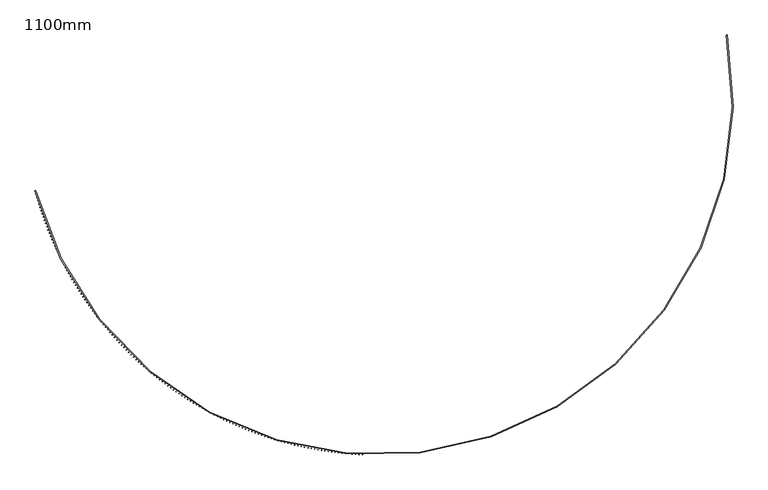
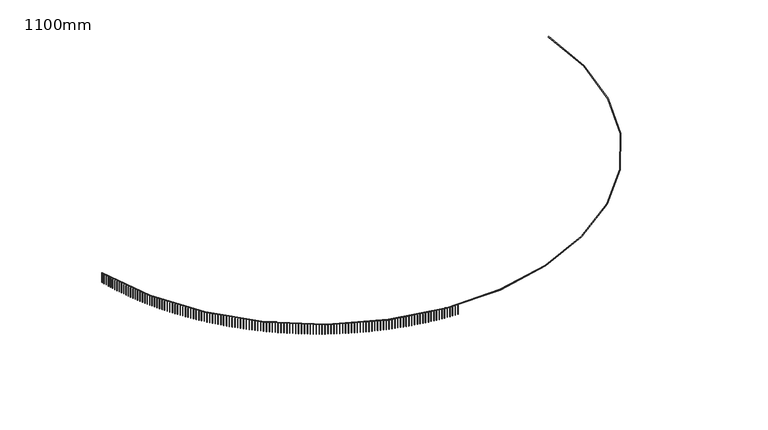
"""IFC4 building model written with IfcOpenShell, lengths in millimetres: railing geometry, 1100mm."""

from ifc_helpers import new_model, si_unit, point, frame, frame_2d, origin, place, context, project, spatial, polyline, circle_curve, trimmed, segment, composite_curve, outline, extrude, source, transform, mapped, element, save


def railing_1100mm_cee62b35(model_context):
    return source(origin(), model_context, "Body", "SweptSolid", [
        extrude(outline(composite_curve([segment(trimmed(circle_curve(frame_2d((-9136.8690583, -54154.7608855)), 28388.8165606), [point((-36585.4829825, -61400.3457034))], [point((18767.7276518, -48933.8042532))], True, "CARTESIAN"), True, "CONTINUOUS"), segment(polyline([(18767.7276518, -48933.8042532), (18816.8748162, -48924.6088071)]), True, "CONTINUOUS"), segment(trimmed(circle_curve(frame_2d((-9136.8690583, -54154.7608855)), 28438.8165606), [point((18816.8748162, -48924.6088071))], [point((-36633.8270441, -61413.1070399))], False, "CARTESIAN"), True, "CONTINUOUS"), segment(polyline([(-36633.8270441, -61413.1070399), (-36585.4829825, -61400.3457034)]), True, "CONTINUOUS")], self_intersect=False)), frame((0.0, 0.0, 23650.0), z_axis=(0.0, 0.0, 1.0), x_axis=(1.0, 0.0, 0.0)), (0.0, 0.0, 1.0), 50.0),
        extrude(outline(polyline([(-36591.3081731, -61427.223434), (-36615.4775056, -61433.6143155), (-36621.8683871, -61409.444983), (-36597.6990545, -61403.0541015), (-36591.3081731, -61427.223434)])), frame((0.0, 0.0, 22600.0), z_axis=(0.0, 0.0, 1.0), x_axis=(1.0, 0.0, 0.0)), (0.0, 0.0, 1.0), 1050.0),
        extrude(outline(polyline([(-36519.6377071, -61692.593449), (-36543.7440551, -61699.2179477), (-36550.3685538, -61675.1115996), (-36526.2622058, -61668.4871009), (-36519.6377071, -61692.593449)])), frame((0.0, 0.0, 22600.0), z_axis=(0.0, 0.0, 1.0), x_axis=(1.0, 0.0, 0.0)), (0.0, 0.0, 1.0), 1050.0),
        extrude(outline(polyline([(-36445.4022833, -61957.2573914), (-36469.4433889, -61964.1148868), (-36476.3008843, -61940.0737813), (-36452.2597788, -61933.2162858), (-36445.4022833, -61957.2573914)])), frame((0.0, 0.0, 22600.0), z_axis=(0.0, 0.0, 1.0), x_axis=(1.0, 0.0, 0.0)), (0.0, 0.0, 1.0), 1050.0),
        extrude(outline(polyline([(-36368.6088556, -62221.19047), (-36392.5824667, -62228.2803198), (-36399.6723165, -62204.3067087), (-36375.6987054, -62197.2168589), (-36368.6088556, -62221.19047)])), frame((0.0, 0.0, 22600.0), z_axis=(0.0, 0.0, 1.0), x_axis=(1.0, 0.0, 0.0)), (0.0, 0.0, 1.0), 1050.0),
        extrude(outline(polyline([(-36289.264617, -62484.3679621), (-36313.1684881, -62491.6895022), (-36320.4900282, -62467.7856312), (-36296.5861571, -62460.4640911), (-36289.264617, -62484.3679621)])), frame((0.0, 0.0, 22600.0), z_axis=(0.0, 0.0, 1.0), x_axis=(1.0, 0.0, 0.0)), (0.0, 0.0, 1.0), 1050.0),
        extrude(outline(polyline([(-36207.3769999, -62746.7652157), (-36231.2088918, -62754.3177603), (-36238.7614364, -62730.4858684), (-36214.9295445, -62722.9333238), (-36207.3769999, -62746.7652157)])), frame((0.0, 0.0, 22600.0), z_axis=(0.0, 0.0, 1.0), x_axis=(1.0, 0.0, 0.0)), (0.0, 0.0, 1.0), 1050.0),
        extrude(outline(polyline([(-36122.9536747, -63008.357652), (-36146.7113551, -63016.1404936), (-36154.4941967, -62992.3828132), (-36130.7365163, -62984.5999716), (-36122.9536747, -63008.357652)])), frame((0.0, 0.0, 22600.0), z_axis=(0.0, 0.0, 1.0), x_axis=(1.0, 0.0, 0.0)), (0.0, 0.0, 1.0), 1050.0),
        extrude(outline(polyline([(-36036.0025494, -63269.1207673), (-36059.6837929, -63277.1331769), (-36067.6962025, -63253.4519335), (-36044.014959, -63245.4395239), (-36036.0025494, -63269.1207673)])), frame((0.0, 0.0, 22600.0), z_axis=(0.0, 0.0, 1.0), x_axis=(1.0, 0.0, 0.0)), (0.0, 0.0, 1.0), 1050.0),
        extrude(outline(polyline([(-35946.5317687, -63529.030136), (-35970.1343571, -63537.2713631), (-35978.3755841, -63513.6687748), (-35954.7729958, -63505.4275477), (-35946.5317687, -63529.030136)])), frame((0.0, 0.0, 22600.0), z_axis=(0.0, 0.0, 1.0), x_axis=(1.0, 0.0, 0.0)), (0.0, 0.0, 1.0), 1050.0),
        extrude(outline(polyline([(-35854.5497134, -63788.0614122), (-35878.0714358, -63796.5306848), (-35886.5407084, -63773.0089625), (-35863.018986, -63764.5396899), (-35854.5497134, -63788.0614122)])), frame((0.0, 0.0, 22600.0), z_axis=(0.0, 0.0, 1.0), x_axis=(1.0, 0.0, 0.0)), (0.0, 0.0, 1.0), 1050.0),
        extrude(outline(polyline([(-35760.0649996, -64046.1903323), (-35783.5036526, -64054.8868571), (-35792.2001774, -64031.448204), (-35768.7615243, -64022.7516793), (-35760.0649996, -64046.1903323)])), frame((0.0, 0.0, 22600.0), z_axis=(0.0, 0.0, 1.0), x_axis=(1.0, 0.0, 0.0)), (0.0, 0.0, 1.0), 1050.0),
        extrude(outline(polyline([(-35663.0864775, -64303.3927172), (-35686.4398658, -64312.3156796), (-35695.3628281, -64288.9622913), (-35672.0094399, -64280.039329), (-35663.0864775, -64303.3927172)])), frame((0.0, 0.0, 22600.0), z_axis=(0.0, 0.0, 1.0), x_axis=(1.0, 0.0, 0.0)), (0.0, 0.0, 1.0), 1050.0),
        extrude(outline(polyline([(-35563.6232314, -64559.6444747), (-35586.8891673, -64568.7930388), (-35596.0377314, -64545.5271029), (-35572.7717955, -64536.3785387), (-35563.6232314, -64559.6444747)])), frame((0.0, 0.0, 22600.0), z_axis=(0.0, 0.0, 1.0), x_axis=(1.0, 0.0, 0.0)), (0.0, 0.0, 1.0), 1050.0),
        extrude(outline(polyline([(-35461.6845778, -64814.9216014), (-35484.8608821, -64824.2949104), (-35494.234191, -64801.1186061), (-35471.0578868, -64791.7452972), (-35461.6845778, -64814.9216014)])), frame((0.0, 0.0, 22600.0), z_axis=(0.0, 0.0, 1.0), x_axis=(1.0, 0.0, 0.0)), (0.0, 0.0, 1.0), 1050.0),
        extrude(outline(polyline([(-35357.2800656, -65069.2001856), (-35380.3645673, -65078.7973613), (-35389.961743, -65055.7128597), (-35366.8772413, -65046.1156839), (-35357.2800656, -65069.2001856)])), frame((0.0, 0.0, 22600.0), z_axis=(0.0, 0.0, 1.0), x_axis=(1.0, 0.0, 0.0)), (0.0, 0.0, 1.0), 1050.0),
        extrude(outline(polyline([(-35250.4194743, -65322.4564087), (-35273.410011, -65332.2765523), (-35283.2301546, -65309.2860156), (-35260.2396179, -65299.465872), (-35250.4194743, -65322.4564087)])), frame((0.0, 0.0, 22600.0), z_axis=(0.0, 0.0, 1.0), x_axis=(1.0, 0.0, 0.0)), (0.0, 0.0, 1.0), 1050.0),
        extrude(outline(polyline([(-35141.1128135, -65574.6665482), (-35164.0072318, -65584.7087398), (-35174.0494234, -65561.8143215), (-35151.1550051, -65551.7721299), (-35141.1128135, -65574.6665482)])), frame((0.0, 0.0, 22600.0), z_axis=(0.0, 0.0, 1.0), x_axis=(1.0, 0.0, 0.0)), (0.0, 0.0, 1.0), 1050.0),
        extrude(outline(polyline([(-35029.3703222, -65825.8069794), (-35052.1664775, -65836.0702783), (-35062.4297764, -65813.274123), (-35039.6336211, -65803.0108241), (-35029.3703222, -65825.8069794)])), frame((0.0, 0.0, 22600.0), z_axis=(0.0, 0.0, 1.0), x_axis=(1.0, 0.0, 0.0)), (0.0, 0.0, 1.0), 1050.0),
        extrude(outline(polyline([(-34915.2024673, -66075.8541778), (-34937.8982242, -66086.3376226), (-34948.3816691, -66063.6418657), (-34925.6859121, -66053.1584208), (-34915.2024673, -66075.8541778)])), frame((0.0, 0.0, 22600.0), z_axis=(0.0, 0.0, 1.0), x_axis=(1.0, 0.0, 0.0)), (0.0, 0.0, 1.0), 1050.0),
        extrude(outline(polyline([(-34798.6199429, -66324.7847214), (-34821.2131756, -66335.4873302), (-34831.9157844, -66312.8940975), (-34809.3225517, -66302.1914887), (-34798.6199429, -66324.7847214)])), frame((0.0, 0.0, 22600.0), z_axis=(0.0, 0.0, 1.0), x_axis=(1.0, 0.0, 0.0)), (0.0, 0.0, 1.0), 1050.0),
        extrude(outline(polyline([(-34679.6336693, -66572.5752928), (-34702.1222615, -66583.496063), (-34713.0430317, -66561.0074709), (-34690.5544396, -66550.0867006), (-34679.6336693, -66572.5752928)])), frame((0.0, 0.0, 22600.0), z_axis=(0.0, 0.0, 1.0), x_axis=(1.0, 0.0, 0.0)), (0.0, 0.0, 1.0), 1050.0),
        extrude(outline(polyline([(-34558.2547922, -66819.2026812), (-34580.6366373, -66830.3405899), (-34591.774546, -66807.9587449), (-34569.3927009, -66796.8208361), (-34558.2547922, -66819.2026812)])), frame((0.0, 0.0, 22600.0), z_axis=(0.0, 0.0, 1.0), x_axis=(1.0, 0.0, 0.0)), (0.0, 0.0, 1.0), 1050.0),
        extrude(outline(polyline([(-34434.4946811, -67064.643785), (-34456.7676825, -67075.9977889), (-34468.1216865, -67053.7247874), (-34445.848685, -67042.3707835), (-34434.4946811, -67064.643785)])), frame((0.0, 0.0, 22600.0), z_axis=(0.0, 0.0, 1.0), x_axis=(1.0, 0.0, 0.0)), (0.0, 0.0, 1.0), 1050.0),
        extrude(outline(polyline([(-34308.3649286, -67308.8756136), (-34330.5270002, -67320.4446491), (-34342.0960358, -67298.2825776), (-34319.9339642, -67286.713542), (-34308.3649286, -67308.8756136)])), frame((0.0, 0.0, 22600.0), z_axis=(0.0, 0.0, 1.0), x_axis=(1.0, 0.0, 0.0)), (0.0, 0.0, 1.0), 1050.0),
        extrude(outline(polyline([(-34179.8773495, -67551.8752896), (-34201.9264152, -67563.6582732), (-34213.7093987, -67541.6092075), (-34191.6603331, -67529.8262239), (-34179.8773495, -67551.8752896)])), frame((0.0, 0.0, 22600.0), z_axis=(0.0, 0.0, 1.0), x_axis=(1.0, 0.0, 0.0)), (0.0, 0.0, 1.0), 1050.0),
        extrude(outline(polyline([(-34049.0439792, -67793.6200511), (-34070.9779736, -67805.615879), (-34082.9738015, -67783.6818845), (-34061.039807, -67771.6860567), (-34049.0439792, -67793.6200511)])), frame((0.0, 0.0, 22600.0), z_axis=(0.0, 0.0, 1.0), x_axis=(1.0, 0.0, 0.0)), (0.0, 0.0, 1.0), 1050.0),
        extrude(outline(polyline([(-33915.8770729, -68034.0872539), (-33937.6939416, -68046.2948024), (-33949.9014901, -68024.4779337), (-33928.0846213, -68012.2703852), (-33915.8770729, -68034.0872539)])), frame((0.0, 0.0, 22600.0), z_axis=(0.0, 0.0, 1.0), x_axis=(1.0, 0.0, 0.0)), (0.0, 0.0, 1.0), 1050.0),
        extrude(outline(polyline([(-33780.3891045, -68273.2543732), (-33802.0868038, -68285.6724988), (-33814.5049294, -68263.9747995), (-33792.80723, -68251.5566739), (-33780.3891045, -68273.2543732)])), frame((0.0, 0.0, 22600.0), z_axis=(0.0, 0.0, 1.0), x_axis=(1.0, 0.0, 0.0)), (0.0, 0.0, 1.0), 1050.0),
        extrude(outline(polyline([(-33642.5927651, -68511.0990061), (-33664.1692626, -68523.7265456), (-33676.7968021, -68502.1500481), (-33655.2203046, -68489.5225086), (-33642.5927651, -68511.0990061)])), frame((0.0, 0.0, 22600.0), z_axis=(0.0, 0.0, 1.0), x_axis=(1.0, 0.0, 0.0)), (0.0, 0.0, 1.0), 1050.0),
        extrude(outline(polyline([(-33502.5009623, -68747.5988736), (-33523.9542369, -68760.4346442), (-33536.7900075, -68738.9813695), (-33515.3367329, -68726.1455989), (-33502.5009623, -68747.5988736)])), frame((0.0, 0.0, 22600.0), z_axis=(0.0, 0.0, 1.0), x_axis=(1.0, 0.0, 0.0)), (0.0, 0.0, 1.0), 1050.0),
        extrude(outline(polyline([(-33360.1268185, -68982.7318226), (-33381.4548607, -68995.7746219), (-33394.49766, -68974.4465797), (-33373.1696178, -68961.4037804), (-33360.1268185, -68982.7318226)])), frame((0.0, 0.0, 22600.0), z_axis=(0.0, 0.0, 1.0), x_axis=(1.0, 0.0, 0.0)), (0.0, 0.0, 1.0), 1050.0),
        extrude(outline(polyline([(-33215.4836699, -69216.4758281), (-33236.6844819, -69229.7244345), (-33249.9330883, -69208.5236225), (-33228.7322763, -69195.2750161), (-33215.4836699, -69216.4758281)])), frame((0.0, 0.0, 22600.0), z_axis=(0.0, 0.0, 1.0), x_axis=(1.0, 0.0, 0.0)), (0.0, 0.0, 1.0), 1050.0),
        extrude(outline(polyline([(-33068.5850654, -69448.8089952), (-33089.6566613, -69462.2621676), (-33103.1098337, -69441.1905717), (-33082.0382378, -69427.7373993), (-33068.5850654, -69448.8089952)])), frame((0.0, 0.0, 22600.0), z_axis=(0.0, 0.0, 1.0), x_axis=(1.0, 0.0, 0.0)), (0.0, 0.0, 1.0), 1050.0),
        extrude(outline(polyline([(-32919.444765, -69679.7095611), (-32940.385171, -69693.3660394), (-32954.0416492, -69672.4256334), (-32933.1012433, -69658.7691552), (-32919.444765, -69679.7095611)])), frame((0.0, 0.0, 22600.0), z_axis=(0.0, 0.0, 1.0), x_axis=(1.0, 0.0, 0.0)), (0.0, 0.0, 1.0), 1050.0),
        extrude(outline(polyline([(-32768.0767388, -69909.1558973), (-32788.8839934, -69923.0144022), (-32802.7424983, -69902.2071476), (-32781.9352437, -69888.3486427), (-32768.0767388, -69909.1558973)])), frame((0.0, 0.0, 22600.0), z_axis=(0.0, 0.0, 1.0), x_axis=(1.0, 0.0, 0.0)), (0.0, 0.0, 1.0), 1050.0),
        extrude(outline(polyline([(-32614.4951655, -70137.1265113), (-32635.1673196, -70151.1857448), (-32649.226553, -70130.5135906), (-32628.5543989, -70116.4543572), (-32614.4951655, -70137.1265113)])), frame((0.0, 0.0, 22600.0), z_axis=(0.0, 0.0, 1.0), x_axis=(1.0, 0.0, 0.0)), (0.0, 0.0, 1.0), 1050.0),
        extrude(outline(polyline([(-32458.7144311, -70363.6000492), (-32479.2495484, -70377.8586942), (-32493.5081934, -70357.3235769), (-32472.9730761, -70343.0649319), (-32458.7144311, -70363.6000492)])), frame((0.0, 0.0, 22600.0), z_axis=(0.0, 0.0, 1.0), x_axis=(1.0, 0.0, 0.0)), (0.0, 0.0, 1.0), 1050.0),
        extrude(outline(polyline([(-32300.7491278, -70588.5552969), (-32321.1452847, -70603.0120178), (-32335.6020057, -70582.6158609), (-32315.2058487, -70568.1591399), (-32300.7491278, -70588.5552969)])), frame((0.0, 0.0, 22600.0), z_axis=(0.0, 0.0, 1.0), x_axis=(1.0, 0.0, 0.0)), (0.0, 0.0, 1.0), 1050.0),
        extrude(outline(polyline([(-32140.6140521, -70811.9711828), (-32160.8693382, -70826.6246255), (-32175.522781, -70806.3693394), (-32155.2674948, -70791.7158967), (-32140.6140521, -70811.9711828)])), frame((0.0, 0.0, 22600.0), z_axis=(0.0, 0.0, 1.0), x_axis=(1.0, 0.0, 0.0)), (0.0, 0.0, 1.0), 1050.0),
        extrude(outline(polyline([(-31978.3242041, -71033.8267794), (-31998.436722, -71048.6755714), (-32013.2855139, -71028.5630535), (-31993.172996, -71013.7142615), (-31978.3242041, -71033.8267794)])), frame((0.0, 0.0, 22600.0), z_axis=(0.0, 0.0, 1.0), x_axis=(1.0, 0.0, 0.0)), (0.0, 0.0, 1.0), 1050.0),
        extrude(outline(polyline([(-31813.8947854, -71254.1013055), (-31833.8626512, -71269.1440558), (-31848.9054015, -71249.17619), (-31828.9375357, -71234.1334397), (-31813.8947854, -71254.1013055)])), frame((0.0, 0.0, 22600.0), z_axis=(0.0, 0.0, 1.0), x_axis=(1.0, 0.0, 0.0)), (0.0, 0.0, 1.0), 1050.0),
        extrude(outline(polyline([(-31647.3411984, -71472.7741277), (-31667.1625417, -71488.0094272), (-31682.3978412, -71468.188084), (-31662.5764979, -71452.9527845), (-31647.3411984, -71472.7741277)])), frame((0.0, 0.0, 22600.0), z_axis=(0.0, 0.0, 1.0), x_axis=(1.0, 0.0, 0.0)), (0.0, 0.0, 1.0), 1050.0),
        extrude(outline(polyline([(-31478.6790441, -71689.8247629), (-31498.3520082, -71705.2511846), (-31513.7784298, -71685.5782205), (-31494.1054658, -71670.1517989), (-31478.6790441, -71689.8247629)])), frame((0.0, 0.0, 22600.0), z_axis=(0.0, 0.0, 1.0), x_axis=(1.0, 0.0, 0.0)), (0.0, 0.0, 1.0), 1050.0),
        extrude(outline(polyline([(-31307.9241212, -71905.2328799), (-31327.4468633, -71920.8489787), (-31343.0629621, -71901.3262366), (-31323.54022, -71885.7101378), (-31307.9241212, -71905.2328799)])), frame((0.0, 0.0, 22600.0), z_axis=(0.0, 0.0, 1.0), x_axis=(1.0, 0.0, 0.0)), (0.0, 0.0, 1.0), 1050.0),
        extrude(outline(polyline([(-31135.0924245, -72118.9783012), (-31154.4631159, -72134.7826144), (-31170.267429, -72115.411923), (-31150.8967377, -72099.6076098), (-31135.0924245, -72118.9783012)])), frame((0.0, 0.0, 22600.0), z_axis=(0.0, 0.0, 1.0), x_axis=(1.0, 0.0, 0.0)), (0.0, 0.0, 1.0), 1050.0),
        extrude(outline(polyline([(-30960.2001431, -72331.0410053), (-30979.4169693, -72347.0320524), (-30995.4080165, -72327.8152262), (-30976.1911902, -72311.824179), (-30960.2001431, -72331.0410053)])), frame((0.0, 0.0, 22600.0), z_axis=(0.0, 0.0, 1.0), x_axis=(1.0, 0.0, 0.0)), (0.0, 0.0, 1.0), 1050.0),
        extrude(outline(polyline([(-30783.2636593, -72541.401128), (-30802.3248203, -72557.5774112), (-30818.5011036, -72538.5162502), (-30799.4399425, -72522.339967), (-30783.2636593, -72541.401128)])), frame((0.0, 0.0, 22600.0), z_axis=(0.0, 0.0, 1.0), x_axis=(1.0, 0.0, 0.0)), (0.0, 0.0, 1.0), 1050.0),
        extrude(outline(polyline([(-30604.2995468, -72750.0389649), (-30623.2032571, -72766.398969), (-30639.5632613, -72747.4952586), (-30620.6595509, -72731.1352545), (-30604.2995468, -72750.0389649)])), frame((0.0, 0.0, 22600.0), z_axis=(0.0, 0.0, 1.0), x_axis=(1.0, 0.0, 0.0)), (0.0, 0.0, 1.0), 1050.0),
        extrude(outline(polyline([(-30423.3245693, -72956.9349727), (-30442.0690583, -72973.4771652), (-30458.6112508, -72954.7326762), (-30439.8667618, -72938.1904837), (-30423.3245693, -72956.9349727)])), frame((0.0, 0.0, 22600.0), z_axis=(0.0, 0.0, 1.0), x_axis=(1.0, 0.0, 0.0)), (0.0, 0.0, 1.0), 1050.0),
        extrude(outline(polyline([(-30240.3556788, -73162.0697714), (-30258.9391906, -73178.7926028), (-30275.662022, -73160.2090911), (-30257.0785102, -73143.4862597), (-30240.3556788, -73162.0697714)])), frame((0.0, 0.0, 22600.0), z_axis=(0.0, 0.0, 1.0), x_axis=(1.0, 0.0, 0.0)), (0.0, 0.0, 1.0), 1050.0),
        extrude(outline(polyline([(-30055.4100141, -73365.424146), (-30073.830808, -73382.3260498), (-30090.7327118, -73363.905256), (-30072.3119179, -73347.0033521), (-30055.4100141, -73365.424146)])), frame((0.0, 0.0, 22600.0), z_axis=(0.0, 0.0, 1.0), x_axis=(1.0, 0.0, 0.0)), (0.0, 0.0, 1.0), 1050.0),
        extrude(outline(polyline([(-29868.5048991, -73566.979048), (-29886.7612496, -73584.0584411), (-29903.8406427, -73565.8020907), (-29885.5842922, -73548.7226976), (-29868.5048991, -73566.979048)])), frame((0.0, 0.0, 22600.0), z_axis=(0.0, 0.0, 1.0), x_axis=(1.0, 0.0, 0.0)), (0.0, 0.0, 1.0), 1050.0),
        extrude(outline(polyline([(-29679.6578414, -73766.7155978), (-29697.7480384, -73783.9708803), (-29715.0033209, -73765.8806834), (-29696.9131239, -73748.6254009), (-29679.6578414, -73766.7155978)])), frame((0.0, 0.0, 22600.0), z_axis=(0.0, 0.0, 1.0), x_axis=(1.0, 0.0, 0.0)), (0.0, 0.0, 1.0), 1050.0),
        extrude(outline(polyline([(-29488.8865303, -73964.615086), (-29506.8088793, -73982.0446416), (-29524.2384349, -73964.1222926), (-29506.3160859, -73946.692737), (-29488.8865303, -73964.615086)])), frame((0.0, 0.0, 22600.0), z_axis=(0.0, 0.0, 1.0), x_axis=(1.0, 0.0, 0.0)), (0.0, 0.0, 1.0), 1050.0),
        extrude(outline(polyline([(-29296.2088356, -74160.6589751), (-29313.9616577, -74178.2611712), (-29331.5638537, -74160.508349), (-29313.8110316, -74142.906153), (-29296.2088356, -74160.6589751)])), frame((0.0, 0.0, 22600.0), z_axis=(0.0, 0.0, 1.0), x_axis=(1.0, 0.0, 0.0)), (0.0, 0.0, 1.0), 1050.0),
        extrude(outline(polyline([(-29101.6428053, -74354.8289017), (-29119.2244377, -74372.6020894), (-29136.9976254, -74355.020457), (-29119.415993, -74337.2472693), (-29101.6428053, -74354.8289017)])), frame((0.0, 0.0, 22600.0), z_axis=(0.0, 0.0, 1.0), x_axis=(1.0, 0.0, 0.0)), (0.0, 0.0, 1.0), 1050.0),
        extrude(outline(polyline([(-28905.2066646, -74547.1066778), (-28922.6154604, -74565.0491923), (-28940.5579749, -74547.6403965), (-28923.1491791, -74529.6978819), (-28905.2066646, -74547.1066778)])), frame((0.0, 0.0, 22600.0), z_axis=(0.0, 0.0, 1.0), x_axis=(1.0, 0.0, 0.0)), (0.0, 0.0, 1.0), 1050.0),
        extrude(outline(polyline([(-28706.9188137, -74737.4742925), (-28724.1531423, -74755.5844532), (-28742.263303, -74738.3501247), (-28725.0289744, -74720.239964), (-28706.9188137, -74737.4742925)])), frame((0.0, 0.0, 22600.0), z_axis=(0.0, 0.0, 1.0), x_axis=(1.0, 0.0, 0.0)), (0.0, 0.0, 1.0), 1050.0),
        extrude(outline(polyline([(-28506.7978265, -74925.9139142), (-28523.8560734, -74944.1900246), (-28542.1321838, -74927.1317777), (-28525.0739369, -74908.8556673), (-28506.7978265, -74925.9139142)])), frame((0.0, 0.0, 22600.0), z_axis=(0.0, 0.0, 1.0), x_axis=(1.0, 0.0, 0.0)), (0.0, 0.0, 1.0), 1050.0),
        extrude(outline(polyline([(-28304.8624483, -75112.4078915), (-28321.7430157, -75130.8482397), (-28340.183364, -75113.9676723), (-28323.3027966, -75095.5273241), (-28304.8624483, -75112.4078915)])), frame((0.0, 0.0, 22600.0), z_axis=(0.0, 0.0, 1.0), x_axis=(1.0, 0.0, 0.0)), (0.0, 0.0, 1.0), 1050.0),
        extrude(outline(polyline([(-28101.1315945, -75296.9387554), (-28117.8329012, -75315.5416142), (-28136.43576, -75298.8403075), (-28119.7344533, -75280.2374487), (-28101.1315945, -75296.9387554)])), frame((0.0, 0.0, 22600.0), z_axis=(0.0, 0.0, 1.0), x_axis=(1.0, 0.0, 0.0)), (0.0, 0.0, 1.0), 1050.0),
        extrude(outline(polyline([(-27895.6243487, -75479.489221), (-27912.1448303, -75498.2528477), (-27930.908457, -75481.7323661), (-27914.3879754, -75462.9687394), (-27895.6243487, -75479.489221)])), frame((0.0, 0.0, 22600.0), z_axis=(0.0, 0.0, 1.0), x_axis=(1.0, 0.0, 0.0)), (0.0, 0.0, 1.0), 1050.0),
        extrude(outline(polyline([(-27688.3599609, -75660.0421884), (-27704.6980699, -75678.9648255), (-27723.6207069, -75662.6267165), (-27707.282598, -75643.7040795), (-27688.3599609, -75660.0421884)])), frame((0.0, 0.0, 22600.0), z_axis=(0.0, 0.0, 1.0), x_axis=(1.0, 0.0, 0.0)), (0.0, 0.0, 1.0), 1050.0),
        extrude(outline(polyline([(-27479.3578455, -75838.5807454), (-27495.5120515, -75857.6606204), (-27514.5919265, -75841.5064144), (-27498.4377205, -75822.4265394), (-27479.3578455, -75838.5807454)])), frame((0.0, 0.0, 22600.0), z_axis=(0.0, 0.0, 1.0), x_axis=(1.0, 0.0, 0.0)), (0.0, 0.0, 1.0), 1050.0),
        extrude(outline(polyline([(-27268.63758, -76015.0881681), (-27284.6063699, -76034.3234937), (-27303.8416955, -76018.3547039), (-27287.8729057, -75999.1193782), (-27268.63758, -76015.0881681)])), frame((0.0, 0.0, 22600.0), z_axis=(0.0, 0.0, 1.0), x_axis=(1.0, 0.0, 0.0)), (0.0, 0.0, 1.0), 1050.0),
        extrude(outline(polyline([(-27056.2189027, -76189.5479229), (-27072.0007805, -76208.9368974), (-27091.389755, -76193.1550195), (-27075.6078772, -76173.766045), (-27056.2189027, -76189.5479229)])), frame((0.0, 0.0, 22600.0), z_axis=(0.0, 0.0, 1.0), x_axis=(1.0, 0.0, 0.0)), (0.0, 0.0, 1.0), 1050.0),
        extrude(outline(polyline([(-26842.1217108, -76361.9436681), (-26857.7151983, -76381.4844753), (-26877.2560055, -76365.8909877), (-26861.662518, -76346.3501805), (-26842.1217108, -76361.9436681)])), frame((0.0, 0.0, 22600.0), z_axis=(0.0, 0.0, 1.0), x_axis=(1.0, 0.0, 0.0)), (0.0, 0.0, 1.0), 1050.0),
        extrude(outline(polyline([(-26626.366059, -76532.2592553), (-26641.7696956, -76551.9500648), (-26661.4605051, -76536.5464281), (-26646.0568685, -76516.8556187), (-26626.366059, -76532.2592553)])), frame((0.0, 0.0, 22600.0), z_axis=(0.0, 0.0, 1.0), x_axis=(1.0, 0.0, 0.0)), (0.0, 0.0, 1.0), 1050.0),
        extrude(outline(polyline([(-26408.9721572, -76700.478731), (-26424.1845, -76720.3176983), (-26444.0234674, -76705.1053555), (-26428.8111245, -76685.2663881), (-26408.9721572, -76700.478731)])), frame((0.0, 0.0, 22600.0), z_axis=(0.0, 0.0, 1.0), x_axis=(1.0, 0.0, 0.0)), (0.0, 0.0, 1.0), 1050.0),
        extrude(outline(polyline([(-26189.9603688, -76866.5863379), (-26204.9799929, -76886.5716048), (-26224.9652598, -76871.5519807), (-26209.9456357, -76851.5667138), (-26189.9603688, -76866.5863379)])), frame((0.0, 0.0, 22600.0), z_axis=(0.0, 0.0, 1.0), x_axis=(1.0, 0.0, 0.0)), (0.0, 0.0, 1.0), 1050.0),
        extrude(outline(polyline([(-25969.3512088, -77030.5665168), (-25984.1767073, -77050.6962111), (-26004.3064016, -77035.8707127), (-25989.4809032, -77015.7410183), (-25969.3512088, -77030.5665168)])), frame((0.0, 0.0, 22600.0), z_axis=(0.0, 0.0, 1.0), x_axis=(1.0, 0.0, 0.0)), (0.0, 0.0, 1.0), 1050.0),
        extrude(outline(polyline([(-25747.1653417, -77192.4039074), (-25761.7953258, -77212.6761437), (-25782.0675621, -77198.0461596), (-25767.437578, -77177.7739233), (-25747.1653417, -77192.4039074)])), frame((0.0, 0.0, 22600.0), z_axis=(0.0, 0.0, 1.0), x_axis=(1.0, 0.0, 0.0)), (0.0, 0.0, 1.0), 1050.0),
        extrude(outline(polyline([(-25523.4235798, -77352.0833504), (-25537.8566792, -77372.4962297), (-25558.2695585, -77358.0631304), (-25543.8364591, -77337.650251), (-25523.4235798, -77352.0833504)])), frame((0.0, 0.0, 22600.0), z_axis=(0.0, 0.0, 1.0), x_axis=(1.0, 0.0, 0.0)), (0.0, 0.0, 1.0), 1050.0),
        extrude(outline(polyline([(-25298.1468811, -77509.5898885), (-25312.3817438, -77530.1414988), (-25332.933354, -77515.9066362), (-25318.6984914, -77495.3550259), (-25298.1468811, -77509.5898885)])), frame((0.0, 0.0, 22600.0), z_axis=(0.0, 0.0, 1.0), x_axis=(1.0, 0.0, 0.0)), (0.0, 0.0, 1.0), 1050.0),
        extrude(outline(polyline([(-25071.3563474, -77664.9087681), (-25085.3916399, -77685.5971842), (-25106.0800561, -77671.5618917), (-25092.0447635, -77650.8734755), (-25071.3563474, -77664.9087681)])), frame((0.0, 0.0, 22600.0), z_axis=(0.0, 0.0, 1.0), x_axis=(1.0, 0.0, 0.0)), (0.0, 0.0, 1.0), 1050.0),
        extrude(outline(polyline([(-24843.0732222, -77818.0254403), (-24856.90763, -77838.8487244), (-24877.7309141, -77825.0143166), (-24863.8965063, -77804.1910325), (-24843.0732222, -77818.0254403)])), frame((0.0, 0.0, 22600.0), z_axis=(0.0, 0.0, 1.0), x_axis=(1.0, 0.0, 0.0)), (0.0, 0.0, 1.0), 1050.0),
        extrude(outline(polyline([(-24613.318889, -77968.9255625), (-24626.9511161, -77989.8817641), (-24647.9073176, -77976.249537), (-24634.2750905, -77955.2933354), (-24613.318889, -77968.9255625)])), frame((0.0, 0.0, 22600.0), z_axis=(0.0, 0.0, 1.0), x_axis=(1.0, 0.0, 0.0)), (0.0, 0.0, 1.0), 1050.0),
        extrude(outline(polyline([(-24382.1148689, -78117.595), (-24395.5436384, -78138.6821561), (-24416.6307944, -78125.2533865), (-24403.2020249, -78104.1662305), (-24382.1148689, -78117.595)])), frame((0.0, 0.0, 22600.0), z_axis=(0.0, 0.0, 1.0), x_axis=(1.0, 0.0, 0.0)), (0.0, 0.0, 1.0), 1050.0),
        extrude(outline(polyline([(-24149.482819, -78264.0198268), (-24162.7068731, -78285.235962), (-24183.9230083, -78272.011908), (-24170.6989542, -78250.7957727), (-24149.482819, -78264.0198268)])), frame((0.0, 0.0, 22600.0), z_axis=(0.0, 0.0, 1.0), x_axis=(1.0, 0.0, 0.0)), (0.0, 0.0, 1.0), 1050.0),
        extrude(outline(polyline([(-23915.44453, -78408.1863272), (-23928.4626299, -78429.5294543), (-23949.805757, -78416.5113544), (-23936.7876571, -78395.1682273), (-23915.44453, -78408.1863272)])), frame((0.0, 0.0, 22600.0), z_axis=(0.0, 0.0, 1.0), x_axis=(1.0, 0.0, 0.0)), (0.0, 0.0, 1.0), 1050.0),
        extrude(outline(polyline([(-23680.0219244, -78550.0809969), (-23692.8328507, -78571.5491167), (-23714.3009705, -78558.7381904), (-23701.4900442, -78537.2700706), (-23680.0219244, -78550.0809969)])), frame((0.0, 0.0, 22600.0), z_axis=(0.0, 0.0, 1.0), x_axis=(1.0, 0.0, 0.0)), (0.0, 0.0, 1.0), 1050.0),
        extrude(outline(polyline([(-23443.2370544, -78689.6905448), (-23455.8396071, -78711.2816463), (-23477.4307086, -78698.6790937), (-23464.8281559, -78677.0879921), (-23443.2370544, -78689.6905448)])), frame((0.0, 0.0, 22600.0), z_axis=(0.0, 0.0, 1.0), x_axis=(1.0, 0.0, 0.0)), (0.0, 0.0, 1.0), 1050.0),
        extrude(outline(polyline([(-23205.1120996, -78827.0018935), (-23217.5050983, -78848.7139543), (-23239.2171591, -78836.3209557), (-23226.8241605, -78814.6088949), (-23205.1120996, -78827.0018935)])), frame((0.0, 0.0, 22600.0), z_axis=(0.0, 0.0, 1.0), x_axis=(1.0, 0.0, 0.0)), (0.0, 0.0, 1.0), 1050.0),
        extrude(outline(polyline([(-22965.6693655, -78962.0021809), (-22977.8516492, -78983.8331673), (-22999.6826355, -78971.6508836), (-22987.5003518, -78949.8198973), (-22965.6693655, -78962.0021809)])), frame((0.0, 0.0, 22600.0), z_axis=(0.0, 0.0, 1.0), x_axis=(1.0, 0.0, 0.0)), (0.0, 0.0, 1.0), 1050.0),
        extrude(outline(polyline([(-22724.9312807, -79094.6787616), (-22736.9017083, -79116.6266285), (-22758.8495752, -79104.6562009), (-22746.8791476, -79082.708334), (-22724.9312807, -79094.6787616)])), frame((0.0, 0.0, 22600.0), z_axis=(0.0, 0.0, 1.0), x_axis=(1.0, 0.0, 0.0)), (0.0, 0.0, 1.0), 1050.0),
        extrude(outline(polyline([(-22482.9203953, -79225.0192076), (-22494.6778455, -79247.0818993), (-22516.7405372, -79235.324449), (-22504.9830869, -79213.2617573), (-22482.9203953, -79225.0192076)])), frame((0.0, 0.0, 22600.0), z_axis=(0.0, 0.0, 1.0), x_axis=(1.0, 0.0, 0.0)), (0.0, 0.0, 1.0), 1050.0),
        extrude(outline(polyline([(-22239.6593785, -79353.0113099), (-22251.2027501, -79375.1867597), (-22273.3781998, -79363.6433881), (-22261.8348282, -79341.4679383), (-22239.6593785, -79353.0113099)])), frame((0.0, 0.0, 22600.0), z_axis=(0.0, 0.0, 1.0), x_axis=(1.0, 0.0, 0.0)), (0.0, 0.0, 1.0), 1050.0),
        extrude(outline(polyline([(-21995.1710167, -79478.6430794), (-22006.4992284, -79500.9292101), (-22028.7853591, -79489.6009984), (-22017.4571474, -79467.3148678), (-21995.1710167, -79478.6430794)])), frame((0.0, 0.0, 22600.0), z_axis=(0.0, 0.0, 1.0), x_axis=(1.0, 0.0, 0.0)), (0.0, 0.0, 1.0), 1050.0),
        extrude(outline(polyline([(-21749.4782114, -79601.9027482), (-21760.590202, -79624.2974722), (-21782.984926, -79613.1854816), (-21771.8729354, -79590.7907575), (-21749.4782114, -79601.9027482)])), frame((0.0, 0.0, 22600.0), z_axis=(0.0, 0.0, 1.0), x_axis=(1.0, 0.0, 0.0)), (0.0, 0.0, 1.0), 1050.0),
        extrude(outline(polyline([(-21502.6039766, -79722.7787703), (-21513.4987053, -79745.27999), (-21535.9999249, -79734.3852613), (-21525.1051963, -79711.8840416), (-21502.6039766, -79722.7787703)])), frame((0.0, 0.0, 22600.0), z_axis=(0.0, 0.0, 1.0), x_axis=(1.0, 0.0, 0.0)), (0.0, 0.0, 1.0), 1050.0),
        extrude(outline(polyline([(-21254.5714372, -79841.2598233), (-21265.2478834, -79863.8654309), (-21287.853491, -79853.1889847), (-21277.1770448, -79830.5833771), (-21254.5714372, -79841.2598233)])), frame((0.0, 0.0, 22600.0), z_axis=(0.0, 0.0, 1.0), x_axis=(1.0, 0.0, 0.0)), (0.0, 0.0, 1.0), 1050.0),
        extrude(outline(polyline([(-21005.4038265, -79957.3348091), (-21015.8609902, -79980.0426872), (-21038.5688683, -79969.5855234), (-21028.1117045, -79946.8776454), (-21005.4038265, -79957.3348091)])), frame((0.0, 0.0, 22600.0), z_axis=(0.0, 0.0, 1.0), x_axis=(1.0, 0.0, 0.0)), (0.0, 0.0, 1.0), 1050.0),
        extrude(outline(polyline([(-20755.1244842, -80070.9928548), (-20765.3613859, -80093.8008763), (-20788.1694073, -80083.5639745), (-20777.9325056, -80060.7559531), (-20755.1244842, -80070.9928548)])), frame((0.0, 0.0, 22600.0), z_axis=(0.0, 0.0, 1.0), x_axis=(1.0, 0.0, 0.0)), (0.0, 0.0, 1.0), 1050.0),
        extrude(outline(polyline([(-20503.756854, -80182.223314), (-20513.7725348, -80205.1293424), (-20536.6785632, -80195.1136616), (-20526.6628824, -80172.2076332), (-20503.756854, -80182.223314)])), frame((0.0, 0.0, 22600.0), z_axis=(0.0, 0.0, 1.0), x_axis=(1.0, 0.0, 0.0)), (0.0, 0.0, 1.0), 1050.0),
        extrude(outline(polyline([(-20251.3244818, -80291.0157677), (-20261.1180034, -80314.0176574), (-20284.1198932, -80304.2241358), (-20274.3263715, -80281.222246), (-20251.3244818, -80291.0157677)])), frame((0.0, 0.0, 22600.0), z_axis=(0.0, 0.0, 1.0), x_axis=(1.0, 0.0, 0.0)), (0.0, 0.0, 1.0), 1050.0),
        extrude(outline(polyline([(-19997.8510129, -80397.3600252), (-20007.4214581, -80420.4556217), (-20030.5170546, -80410.8851765), (-20020.9466094, -80387.78958), (-19997.8510129, -80397.3600252)])), frame((0.0, 0.0, 22600.0), z_axis=(0.0, 0.0, 1.0), x_axis=(1.0, 0.0, 0.0)), (0.0, 0.0, 1.0), 1050.0),
        extrude(outline(polyline([(-19743.3601904, -80501.2461253), (-19752.7066626, -80524.4332652), (-19775.8938025, -80515.0867929), (-19766.5473303, -80491.899653), (-19743.3601904, -80501.2461253)])), frame((0.0, 0.0, 22600.0), z_axis=(0.0, 0.0, 1.0), x_axis=(1.0, 0.0, 0.0)), (0.0, 0.0, 1.0), 1050.0),
        extrude(outline(polyline([(-19487.8758525, -80602.6643369), (-19496.9974763, -80625.9408482), (-19520.2739876, -80616.8192243), (-19511.1523638, -80593.542713), (-19487.8758525, -80602.6643369)])), frame((0.0, 0.0, 22600.0), z_axis=(0.0, 0.0, 1.0), x_axis=(1.0, 0.0, 0.0)), (0.0, 0.0, 1.0), 1050.0),
        extrude(outline(polyline([(-19231.4219306, -80701.60516), (-19240.3178516, -80724.9688624), (-19263.681554, -80716.0729414), (-19254.785633, -80692.709239), (-19231.4219306, -80701.60516)])), frame((0.0, 0.0, 22600.0), z_axis=(0.0, 0.0, 1.0), x_axis=(1.0, 0.0, 0.0)), (0.0, 0.0, 1.0), 1050.0),
        extrude(outline(polyline([(-18974.0224469, -80798.0593269), (-18982.6918317, -80821.5080319), (-19006.1405367, -80812.838647), (-18997.4711519, -80789.389942), (-18974.0224469, -80798.0593269)])), frame((0.0, 0.0, 22600.0), z_axis=(0.0, 0.0, 1.0), x_axis=(1.0, 0.0, 0.0)), (0.0, 0.0, 1.0), 1050.0),
        extrude(outline(polyline([(-18715.701512, -80892.0178026), (-18724.1435487, -80915.5493137), (-18747.6750598, -80907.1072771), (-18739.2330232, -80883.5757659), (-18715.701512, -80892.0178026)])), frame((0.0, 0.0, 22600.0), z_axis=(0.0, 0.0, 1.0), x_axis=(1.0, 0.0, 0.0)), (0.0, 0.0, 1.0), 1050.0),
        extrude(outline(polyline([(-18456.4833231, -80983.471786), (-18464.6972208, -81007.0838991), (-18488.3093339, -80998.8700014), (-18480.0954362, -80975.2578883), (-18456.4833231, -80983.471786)])), frame((0.0, 0.0, 22600.0), z_axis=(0.0, 0.0, 1.0), x_axis=(1.0, 0.0, 0.0)), (0.0, 0.0, 1.0), 1050.0),
        extrude(outline(polyline([(-18196.3921612, -81072.4127105), (-18204.3771505, -81096.1032138), (-18228.0676538, -81088.1182245), (-18220.0826645, -81064.4277212), (-18196.3921612, -81072.4127105)])), frame((0.0, 0.0, 22600.0), z_axis=(0.0, 0.0, 1.0), x_axis=(1.0, 0.0, 0.0)), (0.0, 0.0, 1.0), 1050.0),
        extrude(outline(polyline([(-17935.4523893, -81158.8322451), (-17943.2077223, -81182.5989194), (-17966.9743966, -81174.8435865), (-17959.2190637, -81151.0769121), (-17935.4523893, -81158.8322451)])), frame((0.0, 0.0, 22600.0), z_axis=(0.0, 0.0, 1.0), x_axis=(1.0, 0.0, 0.0)), (0.0, 0.0, 1.0), 1050.0),
        extrude(outline(polyline([(-17673.6884496, -81242.7222947), (-17681.2133998, -81266.5629139), (-17705.054019, -81259.0379637), (-17697.5290688, -81235.1973445), (-17673.6884496, -81242.7222947)])), frame((0.0, 0.0, 22600.0), z_axis=(0.0, 0.0, 1.0), x_axis=(1.0, 0.0, 0.0)), (0.0, 0.0, 1.0), 1050.0),
        extrude(outline(polyline([(-17411.1248618, -81324.0750013), (-17418.4187243, -81347.9873322), (-17442.3310552, -81340.6934697), (-17435.0371927, -81316.7811388), (-17411.1248618, -81324.0750013)])), frame((0.0, 0.0, 22600.0), z_axis=(0.0, 0.0, 1.0), x_axis=(1.0, 0.0, 0.0)), (0.0, 0.0, 1.0), 1050.0),
        extrude(outline(polyline([(-17147.7862202, -81402.8827446), (-17154.8483119, -81426.8645473), (-17178.8301146, -81419.8024557), (-17171.7680229, -81395.820653), (-17147.7862202, -81402.8827446)])), frame((0.0, 0.0, 22600.0), z_axis=(0.0, 0.0, 1.0), x_axis=(1.0, 0.0, 0.0)), (0.0, 0.0, 1.0), 1050.0),
        extrude(outline(polyline([(-16883.697192, -81479.1381427), (-16890.5268514, -81503.1871708), (-16914.5758795, -81496.3575115), (-16907.7462202, -81472.3084834), (-16883.697192, -81479.1381427)])), frame((0.0, 0.0, 22600.0), z_axis=(0.0, 0.0, 1.0), x_axis=(1.0, 0.0, 0.0)), (0.0, 0.0, 1.0), 1050.0),
        extrude(outline(polyline([(-16618.8825146, -81552.8340525), (-16625.4791018, -81576.9480534), (-16649.5931026, -81570.3514662), (-16642.9965154, -81546.2374653), (-16618.8825146, -81552.8340525)])), frame((0.0, 0.0, 22600.0), z_axis=(0.0, 0.0, 1.0), x_axis=(1.0, 0.0, 0.0)), (0.0, 0.0, 1.0), 1050.0),
        extrude(outline(polyline([(-16353.3669931, -81623.9635711), (-16359.7298903, -81648.1402859), (-16383.9066051, -81641.7773887), (-16377.5437079, -81617.6006739), (-16353.3669931, -81623.9635711)])), frame((0.0, 0.0, 22600.0), z_axis=(0.0, 0.0, 1.0), x_axis=(1.0, 0.0, 0.0)), (0.0, 0.0, 1.0), 1050.0),
        extrude(outline(polyline([(-16087.1754987, -81692.5200356), (-16093.3041099, -81716.7571998), (-16117.541274, -81710.6285886), (-16111.4126628, -81686.3914245), (-16087.1754987, -81692.5200356)])), frame((0.0, 0.0, 22600.0), z_axis=(0.0, 0.0, 1.0), x_axis=(1.0, 0.0, 0.0)), (0.0, 0.0, 1.0), 1050.0),
        extrude(outline(polyline([(-15820.3329656, -81758.4970244), (-15826.2267166, -81782.7923675), (-15850.5220598, -81776.8986165), (-15844.6283087, -81752.6032733), (-15820.3329656, -81758.4970244)])), frame((0.0, 0.0, 22600.0), z_axis=(0.0, 0.0, 1.0), x_axis=(1.0, 0.0, 0.0)), (0.0, 0.0, 1.0), 1050.0),
        extrude(outline(polyline([(-15552.864389, -81821.8883573), (-15558.5227279, -81846.2396037), (-15582.8739743, -81840.5812648), (-15577.2156354, -81816.2300184), (-15552.864389, -81821.8883573)])), frame((0.0, 0.0, 22600.0), z_axis=(0.0, 0.0, 1.0), x_axis=(1.0, 0.0, 0.0)), (0.0, 0.0, 1.0), 1050.0),
        extrude(outline(polyline([(-15284.7948229, -81882.6880965), (-15290.2172196, -81907.0929652), (-15314.6220883, -81901.6705685), (-15309.1996916, -81877.2656998), (-15284.7948229, -81882.6880965)])), frame((0.0, 0.0, 22600.0), z_axis=(0.0, 0.0, 1.0), x_axis=(1.0, 0.0, 0.0)), (0.0, 0.0, 1.0), 1050.0),
        extrude(outline(polyline([(-15016.1493776, -81940.8905468), (-15021.3353241, -81965.3467517), (-15045.791529, -81960.1608051), (-15040.6055825, -81935.7046002), (-15016.1493776, -81940.8905468)])), frame((0.0, 0.0, 22600.0), z_axis=(0.0, 0.0, 1.0), x_axis=(1.0, 0.0, 0.0)), (0.0, 0.0, 1.0), 1050.0),
        extrude(outline(polyline([(-14746.953217, -81996.4902563), (-14751.9022277, -82020.9955066), (-14776.4074781, -82016.0464959), (-14771.4584674, -81991.5412456), (-14746.953217, -81996.4902563)])), frame((0.0, 0.0, 22600.0), z_axis=(0.0, 0.0, 1.0), x_axis=(1.0, 0.0, 0.0)), (0.0, 0.0, 1.0), 1050.0),
        extrude(outline(polyline([(-14477.2315571, -82049.482017), (-14481.9431684, -82074.0340174), (-14506.4951687, -82069.3224061), (-14501.7835574, -82044.7704058), (-14477.2315571, -82049.482017)])), frame((0.0, 0.0, 22600.0), z_axis=(0.0, 0.0, 1.0), x_axis=(1.0, 0.0, 0.0)), (0.0, 0.0, 1.0), 1050.0),
        extrude(outline(polyline([(-14207.0096627, -82099.8608652), (-14211.4834332, -82124.4573157), (-14236.0798837, -82119.9835453), (-14231.6061133, -82095.3870948), (-14207.0096627, -82099.8608652)])), frame((0.0, 0.0, 22600.0), z_axis=(0.0, 0.0, 1.0), x_axis=(1.0, 0.0, 0.0)), (0.0, 0.0, 1.0), 1050.0),
        extrude(outline(polyline([(-13936.3128458, -82147.6220818), (-13940.5483564, -82172.2606786), (-13965.1869531, -82168.025168), (-13960.9514425, -82143.3865712), (-13936.3128458, -82147.6220818)])), frame((0.0, 0.0, 22600.0), z_axis=(0.0, 0.0, 1.0), x_axis=(1.0, 0.0, 0.0)), (0.0, 0.0, 1.0), 1050.0),
        extrude(outline(polyline([(-13665.1664625, -82192.761193), (-13669.1633165, -82217.4396281), (-13693.8417515, -82213.4427741), (-13689.8448975, -82188.764339), (-13665.1664625, -82192.761193)])), frame((0.0, 0.0, 22600.0), z_axis=(0.0, 0.0, 1.0), x_axis=(1.0, 0.0, 0.0)), (0.0, 0.0, 1.0), 1050.0),
        extrude(outline(polyline([(-13393.5959113, -82235.2739706), (-13397.3537343, -82259.9899324), (-13422.069696, -82256.2321094), (-13418.311873, -82231.5161476), (-13393.5959113, -82235.2739706)])), frame((0.0, 0.0, 22600.0), z_axis=(0.0, 0.0, 1.0), x_axis=(1.0, 0.0, 0.0)), (0.0, 0.0, 1.0), 1050.0),
        extrude(outline(polyline([(-13121.6266303, -82275.1564325), (-13125.1450703, -82299.9076058), (-13149.8962436, -82296.3891657), (-13146.3778036, -82271.6379924), (-13121.6266303, -82275.1564325)])), frame((0.0, 0.0, 22600.0), z_axis=(0.0, 0.0, 1.0), x_axis=(1.0, 0.0, 0.0)), (0.0, 0.0, 1.0), 1050.0),
        extrude(outline(polyline([(-12849.2840951, -82312.4048427), (-12852.5628226, -82337.1889091), (-12877.346889, -82333.9101816), (-12874.0681615, -82309.1261152), (-12849.2840951, -82312.4048427)])), frame((0.0, 0.0, 22600.0), z_axis=(0.0, 0.0, 1.0), x_axis=(1.0, 0.0, 0.0)), (0.0, 0.0, 1.0), 1050.0),
        extrude(outline(polyline([(-12576.5938162, -82347.0157122), (-12579.6325239, -82371.8303502), (-12604.4471619, -82368.7916424), (-12601.4084541, -82343.9770044), (-12576.5938162, -82347.0157122)])), frame((0.0, 0.0, 22600.0), z_axis=(0.0, 0.0, 1.0), x_axis=(1.0, 0.0, 0.0)), (0.0, 0.0, 1.0), 1050.0),
        extrude(outline(polyline([(-12303.5813364, -82378.9857991), (-12306.3797399, -82403.8286841), (-12331.222625, -82401.0302807), (-12328.4242215, -82376.1873956), (-12303.5813364, -82378.9857991)])), frame((0.0, 0.0, 22600.0), z_axis=(0.0, 0.0, 1.0), x_axis=(1.0, 0.0, 0.0)), (0.0, 0.0, 1.0), 1050.0),
        extrude(outline(polyline([(-12030.2722292, -82408.3121086), (-12032.8300662, -82433.1809137), (-12057.6988714, -82430.6230767), (-12055.1410343, -82405.7542716), (-12030.2722292, -82408.3121086)])), frame((0.0, 0.0, 22600.0), z_axis=(0.0, 0.0, 1.0), x_axis=(1.0, 0.0, 0.0)), (0.0, 0.0, 1.0), 1050.0),
        extrude(outline(polyline([(-11756.6920954, -82434.9918937), (-11759.0091264, -82459.8842895), (-11783.9015222, -82457.5672585), (-11781.5844912, -82432.6748627), (-11756.6920954, -82434.9918937)])), frame((0.0, 0.0, 22600.0), z_axis=(0.0, 0.0, 1.0), x_axis=(1.0, 0.0, 0.0)), (0.0, 0.0, 1.0), 1050.0),
        extrude(outline(polyline([(-11482.8665615, -82459.0226554), (-11484.9425694, -82483.9363101), (-11509.8562241, -82481.8603022), (-11507.7802162, -82456.9466475), (-11482.8665615, -82459.0226554)])), frame((0.0, 0.0, 22600.0), z_axis=(0.0, 0.0, 1.0), x_axis=(1.0, 0.0, 0.0)), (0.0, 0.0, 1.0), 1050.0),
        extrude(outline(polyline([(-11208.8212768, -82480.4021427), (-11210.6560672, -82505.3347226), (-11235.5886471, -82503.4999322), (-11233.7538567, -82478.5673523), (-11208.8212768, -82480.4021427)])), frame((0.0, 0.0, 22600.0), z_axis=(0.0, 0.0, 1.0), x_axis=(1.0, 0.0, 0.0)), (0.0, 0.0, 1.0), 1050.0),
        extrude(outline(polyline([(-10934.5819113, -82499.1283528), (-10936.1753123, -82524.0775226), (-10961.1244821, -82522.4841216), (-10959.5310811, -82497.5349518), (-10934.5819113, -82499.1283528)])), frame((0.0, 0.0, 22600.0), z_axis=(0.0, 0.0, 1.0), x_axis=(1.0, 0.0, 0.0)), (0.0, 0.0, 1.0), 1050.0),
        extrude(outline(polyline([(-10660.1741531, -82515.1995318), (-10661.5260154, -82540.1629545), (-10686.489438, -82538.8110921), (-10685.1375757, -82513.8476695), (-10660.1741531, -82515.1995318)])), frame((0.0, 0.0, 22600.0), z_axis=(0.0, 0.0, 1.0), x_axis=(1.0, 0.0, 0.0)), (0.0, 0.0, 1.0), 1050.0),
        extrude(outline(polyline([(-10385.6237062, -82528.6141743), (-10386.7339032, -82553.5895114), (-10411.7092403, -82552.4793143), (-10410.5990433, -82527.5039773), (-10385.6237062, -82528.6141743)])), frame((0.0, 0.0, 22600.0), z_axis=(0.0, 0.0, 1.0), x_axis=(1.0, 0.0, 0.0)), (0.0, 0.0, 1.0), 1050.0),
    ])


if __name__ == "__main__":
    model = new_model("IFC4")
    model_context = context("Model", 3, world=origin())
    ifc_project = project(units=[si_unit("LENGTHUNIT", "METRE", prefix="MILLI")], contexts=[model_context])
    site = spatial("IfcSite", under=ifc_project)
    building = spatial("IfcBuilding", under=site)
    placement = place(None, origin())
    railing_1100mm_shape = railing_1100mm_cee62b35(model_context)
    element("IfcRailing", 1, ObjectType="1100mm", at=placement, inside=building, context=model_context, shape_type="MappedRepresentation", body=[
        mapped(railing_1100mm_shape, transform((0.0, 0.0, 0.0), x_axis=(1.0, 0.0, 0.0), y_axis=(0.0, 1.0, 0.0), z_axis=(0.0, 0.0, 1.0))),
    ])
    save(model, "model.ifc")
